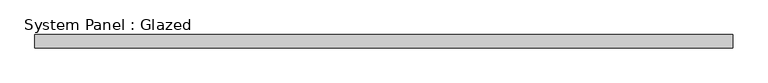
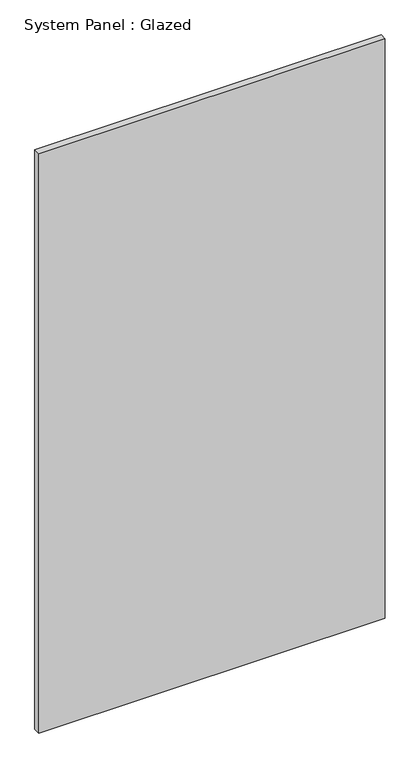
"""IFC4 building model written with IfcOpenShell, lengths in millimetres: plate geometry, System Panel : Glazed."""

from ifc_helpers import new_model, si_unit, origin, origin_with_axes, place, context, project, spatial, polyline, outline, extrude, source, transform, mapped, element, save


def system_panel_glazed_9d4eee90(model_context):
    return source(origin(), model_context, "Body", "SweptSolid", [
        extrude(outline(polyline([(657.8125, 24.5), (-657.8125, 24.5), (-657.8125, 49.5), (657.8125, 49.5), (657.8125, 24.5)])), origin_with_axes(), (0.0, 0.0, 1.0), 2325.0),
    ])


if __name__ == "__main__":
    model = new_model("IFC4")
    model_context = context("Model", 3, world=origin())
    ifc_project = project(units=[si_unit("LENGTHUNIT", "METRE", prefix="MILLI")], contexts=[model_context])
    site = spatial("IfcSite", under=ifc_project)
    building = spatial("IfcBuilding", under=site)
    placement = place(None, origin())
    system_panel_glazed_shape = system_panel_glazed_9d4eee90(model_context)
    element("IfcPlate", 1, ObjectType="System Panel : Glazed", at=placement, inside=building, context=model_context, shape_type="MappedRepresentation", body=[
        mapped(system_panel_glazed_shape, transform((0.0, 0.0, 0.0), x_axis=(1.0, 0.0, 0.0), y_axis=(0.0, 1.0, 0.0), z_axis=(0.0, 0.0, 1.0))),
    ])
    save(model, "model.ifc")
